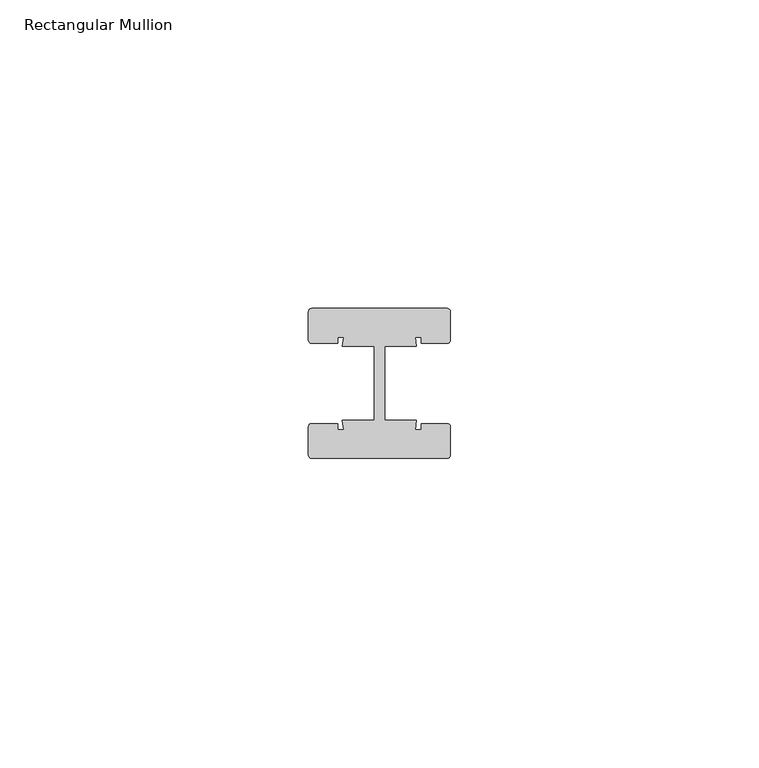
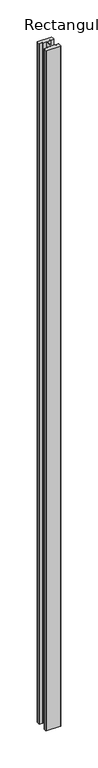
"""IFC4 building model written with IfcOpenShell, lengths in millimetres: member geometry, Rectangular Mullion."""

from ifc_helpers import new_model, si_unit, point, frame, frame_2d, origin, place, context, project, spatial, polyline, circle_curve, trimmed, segment, composite_curve, outline, extrude, source, transform, mapped, element, save


def rectangular_mullion_20cd3758(model_context):
    return source(origin(), model_context, "Body", "SweptSolid", [
        extrude(outline(composite_curve([segment(trimmed(circle_curve(frame_2d((-11.0, 11.64)), 0.5), [point((-11.5, 11.64))], [point((-11.0, 12.14))], False, "CARTESIAN"), True, "CONTINUOUS"), segment(polyline([(-11.0, 12.14), (11.0, 12.14)]), True, "CONTINUOUS"), segment(trimmed(circle_curve(frame_2d((11.0, 11.64)), 0.5), [point((11.0, 12.14))], [point((11.5, 11.64))], False, "CARTESIAN"), True, "CONTINUOUS"), segment(polyline([(11.5, 11.64), (11.5, 7.0)]), True, "CONTINUOUS"), segment(trimmed(circle_curve(frame_2d((11.0, 7.0)), 0.5), [point((11.5, 7.0))], [point((11.0, 6.5))], False, "CARTESIAN"), True, "CONTINUOUS"), segment(polyline([(11.0, 6.5), (6.75, 6.5), (6.75, 7.5), (5.7984177, 7.5), (6.0, 6.0), (0.840625, 6.0), (0.840625, -6.0), (6.0, -6.0), (5.7984177, -7.5), (6.75, -7.5), (6.75, -6.5), (11.0, -6.5)]), True, "CONTINUOUS"), segment(trimmed(circle_curve(frame_2d((11.0, -7.0)), 0.5), [point((11.0, -6.5))], [point((11.5, -7.0))], False, "CARTESIAN"), True, "CONTINUOUS"), segment(polyline([(11.5, -7.0), (11.5, -11.64)]), True, "CONTINUOUS"), segment(trimmed(circle_curve(frame_2d((11.0, -11.64)), 0.5), [point((11.5, -11.64))], [point((11.0, -12.14))], False, "CARTESIAN"), True, "CONTINUOUS"), segment(polyline([(11.0, -12.14), (-11.0, -12.14)]), True, "CONTINUOUS"), segment(trimmed(circle_curve(frame_2d((-11.0, -11.64)), 0.5), [point((-11.0, -12.14))], [point((-11.5, -11.64))], False, "CARTESIAN"), True, "CONTINUOUS"), segment(polyline([(-11.5, -11.64), (-11.5, -7.0)]), True, "CONTINUOUS"), segment(trimmed(circle_curve(frame_2d((-11.0, -7.0)), 0.5), [point((-11.5, -7.0))], [point((-11.0, -6.5))], False, "CARTESIAN"), True, "CONTINUOUS"), segment(polyline([(-11.0, -6.5), (-6.75, -6.5), (-6.75, -7.5), (-5.7984177, -7.5), (-6.0, -6.0), (-0.840625, -6.0), (-0.840625, 6.0), (-6.0, 6.0), (-5.7984177, 7.5), (-6.75, 7.5), (-6.75, 6.5), (-11.0, 6.5)]), True, "CONTINUOUS"), segment(trimmed(circle_curve(frame_2d((-11.0, 7.0)), 0.5), [point((-11.0, 6.5))], [point((-11.5, 7.0))], False, "CARTESIAN"), True, "CONTINUOUS"), segment(polyline([(-11.5, 7.0), (-11.5, 11.64)]), True, "CONTINUOUS")], self_intersect=False)), frame((0.0, 0.0, -1121.18), z_axis=(0.0, 0.0, 1.0), x_axis=(1.0, 0.0, 0.0)), (0.0, 0.0, 1.0), 1121.18),
    ])


if __name__ == "__main__":
    model = new_model("IFC4")
    model_context = context("Model", 3, world=origin())
    ifc_project = project(units=[si_unit("LENGTHUNIT", "METRE", prefix="MILLI")], contexts=[model_context])
    site = spatial("IfcSite", under=ifc_project)
    building = spatial("IfcBuilding", under=site)
    placement = place(None, origin())
    rectangular_mullion_shape = rectangular_mullion_20cd3758(model_context)
    element("IfcMember", 1, ObjectType="Rectangular Mullion", at=placement, inside=building, context=model_context, shape_type="MappedRepresentation", body=[
        mapped(rectangular_mullion_shape, transform((0.0, 0.0, 0.0), x_axis=(1.0, 0.0, 0.0), y_axis=(0.0, 1.0, 0.0), z_axis=(0.0, 0.0, 1.0))),
    ])
    save(model, "model.ifc")
